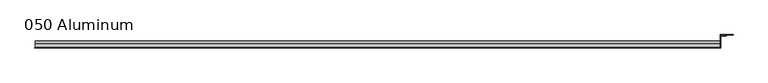
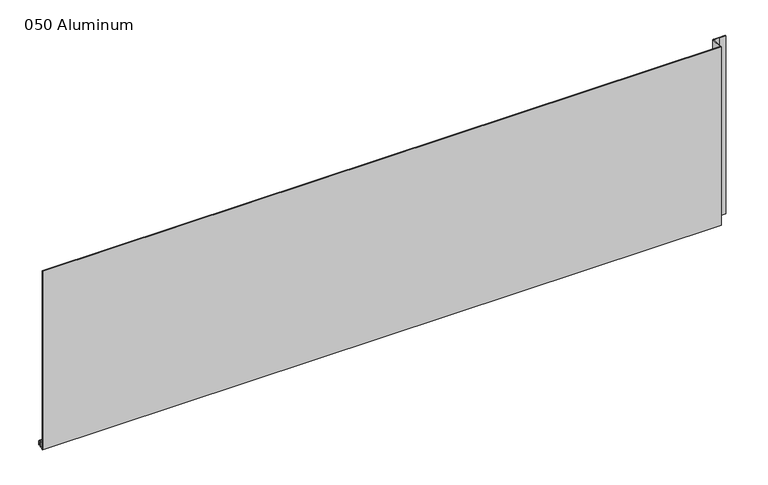
"""IFC4 building model written with IfcOpenShell, lengths in millimetres: plate geometry, 050 Aluminum."""

from ifc_helpers import new_model, si_unit, point, frame, frame_2d, origin, origin_with_axes, place, context, project, spatial, polyline, circle_curve, trimmed, segment, composite_curve, outline, extrude, source, transform, mapped, element, save


def plate_050_aluminum_dddaa4e8(model_context):
    return source(origin(), model_context, "Body", "SweptSolid", [
        extrude(outline(composite_curve([segment(polyline([(-16.6765477, 13.1458337), (-16.6765477, 2.786437), (-17.9464915, 2.786437), (-17.9464915, 13.1323356)]), True, "CONTINUOUS"), segment(trimmed(circle_curve(frame_2d((-19.8514743, 13.124237)), 1.905), [point((-17.9464915, 13.1323356))], [point((-21.7564743, 13.124237))], True, "CARTESIAN"), True, "CONTINUOUS"), segment(polyline([(-21.7564743, 13.124237), (-21.7564743, 0.0), (-34.7980002, 0.0), (-34.7980002, 1.2693678), (-23.0264743, 1.2693678), (-23.0264743, 13.124237)]), True, "CONTINUOUS"), segment(trimmed(circle_curve(frame_2d((-19.8514743, 13.124237)), 3.175), [point((-23.0264743, 13.124237))], [point((-16.6765477, 13.1458337))], False, "CARTESIAN"), True, "CONTINUOUS")], self_intersect=False)), frame((-919.4800002, 0.0, 0.0), z_axis=(1.0, 0.0, 0.0), x_axis=(0.0, 1.0, 0.0)), (0.0, 0.0, 1.0), 1826.2600003),
        extrude(outline(polyline([(-920.7500002, -36.068), (-920.7500002, -34.7980001), (908.0500002, -34.7980001), (908.0500002, -36.068), (-920.7500002, -36.068)])), origin_with_axes(), (0.0, 0.0, 1.0), 509.411923),
        extrude(outline(polyline([(908.0500002, -1.2699999), (908.0500002, -34.7980002), (906.7800002, -34.7980002), (906.7800002, 0.0), (940.5620858, 0.0), (940.5620858, -1.2699999), (908.0500002, -1.2699999)])), origin_with_axes(), (0.0, 0.0, 1.0), 508.141923),
        extrude(outline(polyline([(906.7800002, -3.3274743), (906.7800002, -2.0574743), (922.5280001, -2.0574743), (922.5280001, -3.3274743), (906.7800002, -3.3274743)])), origin_with_axes(), (0.0, 0.0, 1.0), 509.411923),
    ])


if __name__ == "__main__":
    model = new_model("IFC4")
    model_context = context("Model", 3, world=origin())
    ifc_project = project(units=[si_unit("LENGTHUNIT", "METRE", prefix="MILLI")], contexts=[model_context])
    site = spatial("IfcSite", under=ifc_project)
    building = spatial("IfcBuilding", under=site)
    placement = place(None, origin())
    plate_050_aluminum_shape = plate_050_aluminum_dddaa4e8(model_context)
    element("IfcPlate", 1, ObjectType="050 Aluminum", at=placement, inside=building, context=model_context, shape_type="MappedRepresentation", body=[
        mapped(plate_050_aluminum_shape, transform((0.0, 0.0, 0.0), x_axis=(1.0, 0.0, 0.0), y_axis=(0.0, 1.0, 0.0), z_axis=(0.0, 0.0, 1.0))),
    ])
    save(model, "model.ifc")
